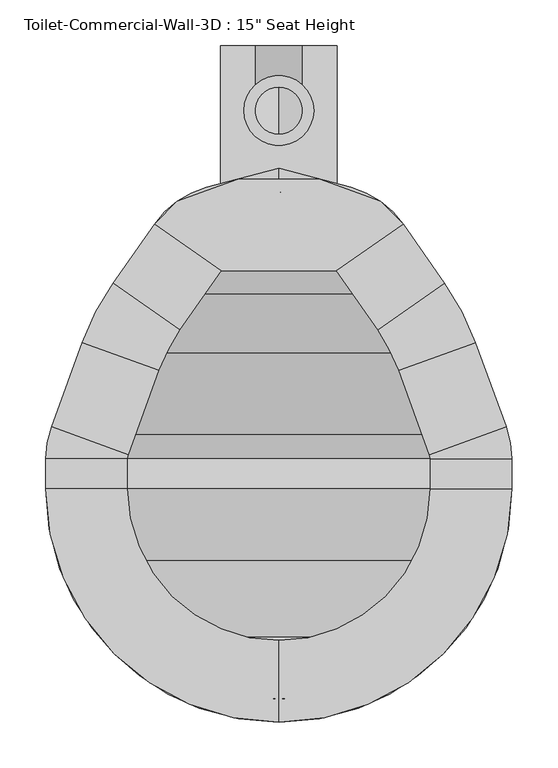
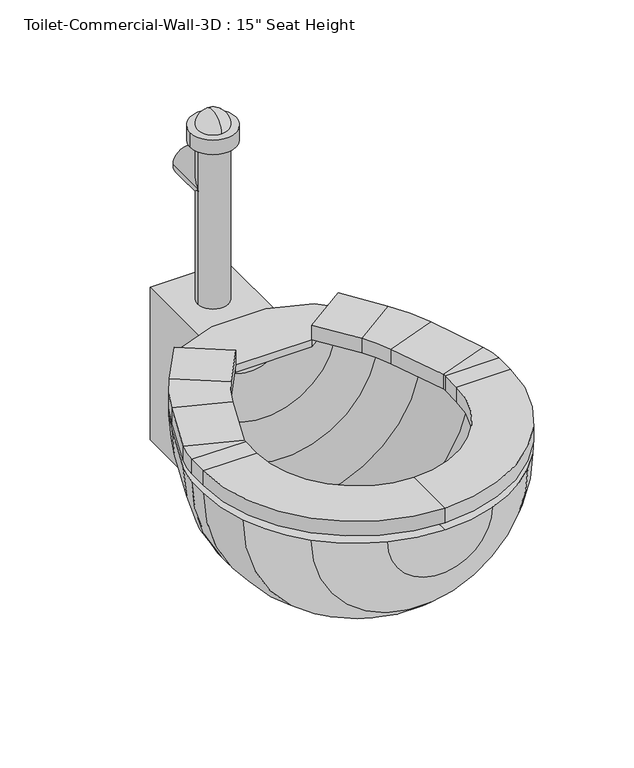
"""IFC4 building model written with IfcOpenShell, lengths in millimetres: flow terminal geometry."""

from ifc_helpers import new_model, si_unit, point, frame, frame_2d, origin, place, context, project, spatial, polyline, circle_curve, ellipse_curve, trimmed, segment, composite_curve, outline, extrude, source, transform, mapped, element, save
from ifc_brep_helpers import plane_surface, cylinder_surface, revolved_surface, advanced_brep


def flow_terminal_bcb8221f(model_context):
    return source(origin(), model_context, "Body", "SolidModel", [
        extrude(outline(polyline([(467.7541169, -333.9347495), (342.0521907, -333.9347495), (269.229574, -282.9438043), (294.1800557, -257.9933226), (360.2423986, -233.9485961), (449.563909, -233.9485961), (515.6262519, -257.9933226), (540.5767337, -282.9438043), (467.7541169, -333.9347495)])), frame((0.0, 0.0, 342.9), z_axis=(0.0, 0.0, 1.0), x_axis=(1.0, 0.0, 0.0)), (0.0, 0.0, 1.0), 12.7),
        advanced_brep(
        [(467.7541169, -333.9347495, 355.6), (467.7541169, -333.9347495, 381.0), (540.5767337, -282.9438043, 381.0), (540.5767337, -282.9438043, 355.6), (585.6810159, -347.3593951, 355.6), (512.8583992, -398.3503403, 355.6), (585.6810159, -347.3593951, 381.0), (512.8583992, -398.3503403, 381.0), (619.360053, -412.0562234, 355.6), (535.821379, -442.4618141, 355.6), (619.360053, -412.0562234, 381.0), (535.821379, -442.4618141, 381.0), (652.7759241, -503.8655747, 355.6), (569.2372501, -534.2711654, 355.6), (652.7759241, -503.8655747, 381.0), (569.2372501, -534.2711654, 381.0), (658.9031538, -538.6148212, 355.6), (570.0031538, -538.6148212, 355.6), (658.9031538, -538.6148212, 381.0), (570.0031538, -538.6148212, 381.0), (658.9031538, -571.5, 355.6), (570.0031538, -571.5, 355.6), (658.9031538, -571.5, 381.0), (570.0031538, -571.5, 381.0), (404.9031538, -825.5, 355.6), (404.9031538, -736.6, 355.6), (404.9031538, -825.5, 381.0), (404.9031538, -736.6, 381.0), (150.9031538, -571.5, 355.6), (239.8031538, -571.5, 355.6), (150.9031538, -571.5, 381.0), (239.8031538, -571.5, 381.0), (150.9031538, -538.6148212, 355.6), (239.8031538, -538.6148212, 355.6), (150.9031538, -538.6148212, 381.0), (239.8031538, -538.6148212, 381.0), (157.0303835, -503.8655747, 355.6), (240.5690575, -534.2711654, 355.6), (157.0303835, -503.8655747, 381.0), (240.5690575, -534.2711654, 381.0), (190.4462546, -412.0562234, 355.6), (273.9849286, -442.4618141, 355.6), (190.4462546, -412.0562234, 381.0), (273.9849286, -442.4618141, 381.0), (224.1252917, -347.3593951, 355.6), (296.9479084, -398.3503403, 355.6), (224.1252917, -347.3593951, 381.0), (296.9479084, -398.3503403, 381.0), (342.0521907, -333.9347495, 355.6), (269.229574, -282.9438043, 355.6), (269.229574, -282.9438043, 381.0), (342.0521907, -333.9347495, 381.0)],
        [
            (0, 1),
            (1, 2),
            (2, 3),
            (3, 0),
            (3, 4),
            (4, 5),
            (5, 0),
            (2, 6),
            (6, 4),
            (1, 7),
            (7, 6),
            (5, 7),
            (8, 9),
            (9, 5, circle_curve(frame((356.8099347, -507.6166514, 355.6), z_axis=(0.0, 0.0, 1.0), x_axis=(0.81915204428899, 0.5735764363510486, 0.0)), 190.5)),
            (4, 8, circle_curve(frame((356.8099347, -507.6166514, 355.6), z_axis=(0.0, 0.0, -1.0), x_axis=(0.81915204428899, 0.5735764363510486, 0.0)), 279.4)),
            (10, 8),
            (6, 10, circle_curve(frame((356.8099347, -507.6166514, 381.0), z_axis=(0.0, 0.0, -1.0), x_axis=(0.81915204428899, 0.5735764363510486, 0.0)), 279.4)),
            (11, 10),
            (7, 11, circle_curve(frame((356.8099347, -507.6166514, 381.0), z_axis=(0.0, 0.0, -1.0), x_axis=(0.81915204428899, 0.5735764363510486, 0.0)), 190.5)),
            (9, 11),
            (8, 12),
            (12, 13),
            (13, 9),
            (10, 14),
            (14, 12),
            (11, 15),
            (15, 14),
            (13, 15),
            (16, 17),
            (17, 13, circle_curve(frame((557.3031538, -538.6148212, 355.6), z_axis=(0.0, 0.0, 1.0), x_axis=(0.9396926207859057, 0.3420201433256761, 0.0)), 12.7)),
            (12, 16, circle_curve(frame((557.3031538, -538.6148212, 355.6), z_axis=(0.0, 0.0, -1.0), x_axis=(0.9396926207859057, 0.3420201433256761, 0.0)), 101.6)),
            (18, 16),
            (14, 18, circle_curve(frame((557.3031538, -538.6148212, 381.0), z_axis=(0.0, 0.0, -1.0), x_axis=(0.9396926207859057, 0.3420201433256761, 0.0)), 101.6)),
            (19, 18),
            (15, 19, circle_curve(frame((557.3031538, -538.6148212, 381.0), z_axis=(0.0, 0.0, -1.0), x_axis=(0.9396926207859057, 0.3420201433256761, 0.0)), 12.7)),
            (17, 19),
            (16, 20),
            (20, 21),
            (21, 17),
            (18, 22),
            (22, 20),
            (19, 23),
            (23, 22),
            (21, 23),
            (24, 25),
            (25, 21, circle_curve(frame((404.9031538, -571.5, 355.6), z_axis=(0.0, 0.0, 1.0), x_axis=(1.0, 0.0, 0.0)), 165.1)),
            (20, 24, circle_curve(frame((404.9031538, -571.5, 355.6), z_axis=(0.0, 0.0, -1.0), x_axis=(1.0, 0.0, 0.0)), 254.0)),
            (26, 24),
            (22, 26, circle_curve(frame((404.9031538, -571.5, 381.0), z_axis=(0.0, 0.0, -1.0), x_axis=(1.0, 0.0, 0.0)), 254.0)),
            (27, 26),
            (23, 27, circle_curve(frame((404.9031538, -571.5, 381.0), z_axis=(0.0, 0.0, -1.0), x_axis=(1.0, 0.0, 0.0)), 165.1)),
            (25, 27),
            (28, 29),
            (29, 25, circle_curve(frame((404.9031538, -571.5, 355.6), z_axis=(0.0, 0.0, 1.0), x_axis=(0.0, -1.0, 0.0)), 165.1)),
            (24, 28, circle_curve(frame((404.9031538, -571.5, 355.6), z_axis=(0.0, 0.0, -1.0), x_axis=(0.0, -1.0, 0.0)), 254.0)),
            (30, 28),
            (26, 30, circle_curve(frame((404.9031538, -571.5, 381.0), z_axis=(0.0, 0.0, -1.0), x_axis=(0.0, -1.0, 0.0)), 254.0)),
            (31, 30),
            (27, 31, circle_curve(frame((404.9031538, -571.5, 381.0), z_axis=(0.0, 0.0, -1.0), x_axis=(0.0, -1.0, 0.0)), 165.1)),
            (29, 31),
            (28, 32),
            (32, 33),
            (33, 29),
            (30, 34),
            (34, 32),
            (31, 35),
            (35, 34),
            (33, 35),
            (36, 37),
            (37, 33, circle_curve(frame((252.5031538, -538.6148212, 355.6), z_axis=(0.0, 0.0, 1.0), x_axis=(-1.0, 0.0, 0.0)), 12.7)),
            (32, 36, circle_curve(frame((252.5031538, -538.6148212, 355.6), z_axis=(0.0, 0.0, -1.0), x_axis=(-1.0, 0.0, 0.0)), 101.6)),
            (38, 36),
            (34, 38, circle_curve(frame((252.5031538, -538.6148212, 381.0), z_axis=(0.0, 0.0, -1.0), x_axis=(-1.0, 0.0, 0.0)), 101.6)),
            (39, 38),
            (35, 39, circle_curve(frame((252.5031538, -538.6148212, 381.0), z_axis=(0.0, 0.0, -1.0), x_axis=(-1.0, 0.0, 0.0)), 12.7)),
            (37, 39),
            (36, 40),
            (40, 41),
            (41, 37),
            (38, 42),
            (42, 40),
            (39, 43),
            (43, 42),
            (41, 43),
            (44, 45),
            (45, 41, circle_curve(frame((452.9963729, -507.6166514, 355.6), z_axis=(0.0, 0.0, 1.0), x_axis=(-0.939692620785909, 0.3420201433256672, 0.0)), 190.5)),
            (40, 44, circle_curve(frame((452.9963729, -507.6166514, 355.6), z_axis=(0.0, 0.0, -1.0), x_axis=(-0.939692620785909, 0.3420201433256672, 0.0)), 279.4)),
            (46, 44),
            (42, 46, circle_curve(frame((452.9963729, -507.6166514, 381.0), z_axis=(0.0, 0.0, -1.0), x_axis=(-0.939692620785909, 0.3420201433256672, 0.0)), 279.4)),
            (47, 46),
            (43, 47, circle_curve(frame((452.9963729, -507.6166514, 381.0), z_axis=(0.0, 0.0, -1.0), x_axis=(-0.939692620785909, 0.3420201433256672, 0.0)), 190.5)),
            (45, 47),
            (48, 49),
            (49, 50),
            (50, 51),
            (51, 48),
            (44, 49),
            (48, 45),
            (46, 50),
            (47, 51),
        ],
        [
            plane_surface(frame((540.5767337, -282.9438043, 439.6203184), z_axis=(-0.5735764363510379, 0.8191520442889975, 0.0), x_axis=(0.8191520442889975, 0.5735764363510379, 0.0))),
            plane_surface(frame((467.7541169, -333.9347495, 355.6), z_axis=(0.0, 0.0, -1.0), x_axis=(0.5735764363510377, -0.8191520442889977, 0.0))),
            plane_surface(frame((540.5767337, -282.9438043, 355.6), z_axis=(0.8191520442889977, 0.5735764363510377, 0.0), x_axis=(0.5735764363510377, -0.8191520442889977, 0.0))),
            plane_surface(frame((540.5767337, -282.9438043, 381.0), z_axis=(0.0, 0.0, 1.0), x_axis=(0.5735764363510377, -0.8191520442889977, 0.0))),
            plane_surface(frame((467.7541169, -333.9347495, 381.0), z_axis=(-0.8191520442889973, -0.5735764363510383, 0.0), x_axis=(0.5735764363510383, -0.8191520442889973, 0.0))),
            plane_surface(frame((356.8099347, -507.6166514, 355.6), z_axis=(0.0, 0.0, -1.0), x_axis=(0.81915204428899, 0.5735764363510486, 0.0))),
            cylinder_surface(frame((356.8099347, -507.6166514, 342.9), z_axis=(0.0, 0.0, 1.0), x_axis=(0.81915204428899, 0.5735764363510486, 0.0)), 279.4),
            plane_surface(frame((356.8099347, -507.6166514, 381.0), z_axis=(0.0, 0.0, 1.0), x_axis=(0.81915204428899, 0.5735764363510486, 0.0))),
            revolved_surface(polyline([(512.8583991370526, -398.3503402751253, 381.0), (512.8583991370526, -398.3503402751253, 355.6)]), (356.8099347, -507.6166514, 342.9), (0.0, 0.0, 1.0)),
            plane_surface(frame((535.821379, -442.4618141, 355.6), z_axis=(0.0, 0.0, -1.0000000000000002), x_axis=(0.34202014332566416, -0.9396926207859101, 0.0))),
            plane_surface(frame((619.360053, -412.0562234, 355.6), z_axis=(0.9396926207859105, 0.34202014332566283, 0.0), x_axis=(0.34202014332566283, -0.9396926207859105, 0.0))),
            plane_surface(frame((619.360053, -412.0562234, 381.0), z_axis=(0.0, 0.0, 1.0), x_axis=(0.34202014332566283, -0.9396926207859105, 0.0))),
            plane_surface(frame((535.821379, -442.4618141, 381.0), z_axis=(-0.9396926207859104, -0.3420201433256634, 0.0), x_axis=(0.3420201433256634, -0.9396926207859104, 0.0))),
            plane_surface(frame((557.3031538, -538.6148212, 355.6), z_axis=(0.0, 0.0, -1.0000000000000002), x_axis=(0.9396926207859058, 0.34202014332567615, 0.0))),
            cylinder_surface(frame((557.3031538, -538.6148212, 342.9), z_axis=(0.0, 0.0, 1.0), x_axis=(0.9396926207859057, 0.3420201433256761, 0.0)), 101.6),
            plane_surface(frame((557.3031538, -538.6148212, 381.0), z_axis=(0.0, 0.0, 1.0000000000000002), x_axis=(0.9396926207859058, 0.34202014332567615, 0.0))),
            revolved_surface(polyline([(569.237250083981, -534.2711653797639, 381.0), (569.237250083981, -534.2711653797639, 355.6)]), (557.3031538, -538.6148212, 342.9), (0.0, 0.0, 1.0)),
            plane_surface(frame((570.0031538, -538.6148212, 355.6), z_axis=(0.0, 0.0, -1.0), x_axis=(0.0, -1.0, 0.0))),
            plane_surface(frame((658.9031538, -538.6148212, 355.6), z_axis=(1.0, 0.0, 0.0), x_axis=(0.0, -1.0, 0.0))),
            plane_surface(frame((658.9031538, -538.6148212, 381.0), z_axis=(0.0, 0.0, 1.0), x_axis=(0.0, -1.0, 0.0))),
            plane_surface(frame((570.0031538, -538.6148212, 381.0), z_axis=(-1.0, 0.0, 0.0), x_axis=(0.0, -1.0, 0.0))),
            plane_surface(frame((404.9031538, -571.5, 355.6), z_axis=(0.0, 0.0, -1.0), x_axis=(1.0, 0.0, 0.0))),
            cylinder_surface(frame((404.9031538, -571.5, 342.9), z_axis=(0.0, 0.0, 1.0), x_axis=(1.0, 0.0, 0.0)), 254.0),
            plane_surface(frame((404.9031538, -571.5, 381.0), z_axis=(0.0, 0.0, 1.0), x_axis=(1.0, 0.0, 0.0))),
            revolved_surface(polyline([(570.0031538, -571.5, 381.0), (570.0031538, -571.5, 355.6)]), (404.9031538, -571.5, 342.9), (0.0, 0.0, 1.0)),
            plane_surface(frame((404.9031538, -571.5, 355.6), z_axis=(0.0, 0.0, -1.0), x_axis=(0.0, -1.0, 0.0))),
            cylinder_surface(frame((404.9031538, -571.5, 342.9), z_axis=(0.0, 0.0, 1.0), x_axis=(0.0, -1.0, 0.0)), 254.0),
            plane_surface(frame((404.9031538, -571.5, 381.0), z_axis=(0.0, 0.0, 1.0), x_axis=(0.0, -1.0, 0.0))),
            revolved_surface(polyline([(404.9031538, -736.6, 381.0), (404.9031538, -736.6, 355.6)]), (404.9031538, -571.5, 342.9), (0.0, 0.0, 1.0)),
            plane_surface(frame((239.8031538, -571.5, 355.6), z_axis=(0.0, 0.0, -1.0), x_axis=(0.0, 1.0, 0.0))),
            plane_surface(frame((150.9031538, -571.5, 355.6), z_axis=(-1.0, 0.0, 0.0), x_axis=(0.0, 1.0, 0.0))),
            plane_surface(frame((150.9031538, -571.5, 381.0), z_axis=(0.0, 0.0, 1.0), x_axis=(0.0, 1.0, 0.0))),
            plane_surface(frame((239.8031538, -571.5, 381.0), z_axis=(1.0, 0.0, 0.0), x_axis=(0.0, 1.0, 0.0))),
            plane_surface(frame((252.5031538, -538.6148212, 355.6), z_axis=(0.0, 0.0, -1.0), x_axis=(-1.0, 0.0, 0.0))),
            cylinder_surface(frame((252.5031538, -538.6148212, 342.9), z_axis=(0.0, 0.0, 1.0), x_axis=(-1.0, 0.0, 0.0)), 101.6),
            plane_surface(frame((252.5031538, -538.6148212, 381.0), z_axis=(0.0, 0.0, 1.0), x_axis=(-1.0, 0.0, 0.0))),
            revolved_surface(polyline([(239.80315380000002, -538.6148212, 381.0), (239.80315380000002, -538.6148212, 355.6)]), (252.5031538, -538.6148212, 342.9), (0.0, 0.0, 1.0)),
            plane_surface(frame((240.5690575, -534.2711654, 355.6), z_axis=(0.0, 0.0, -1.0000000000000002), x_axis=(0.3420201433256558, 0.9396926207859132, 0.0))),
            plane_surface(frame((157.0303835, -503.8655747, 355.6), z_axis=(-0.9396926207859133, 0.3420201433256554, 0.0), x_axis=(0.3420201433256554, 0.9396926207859133, 0.0))),
            plane_surface(frame((157.0303835, -503.8655747, 381.0), z_axis=(0.0, 0.0, 1.0000000000000002), x_axis=(0.3420201433256554, 0.9396926207859133, 0.0))),
            plane_surface(frame((240.5690575, -534.2711654, 381.0), z_axis=(0.9396926207859134, -0.34202014332565517, 0.0), x_axis=(0.34202014332565517, 0.9396926207859134, 0.0))),
            plane_surface(frame((452.9963729, -507.6166514, 355.6), z_axis=(0.0, 0.0, -1.0), x_axis=(-0.939692620785909, 0.3420201433256672, 0.0))),
            cylinder_surface(frame((452.9963729, -507.6166514, 342.9), z_axis=(0.0, 0.0, 1.0), x_axis=(-0.939692620785909, 0.3420201433256672, 0.0)), 279.4),
            plane_surface(frame((452.9963729, -507.6166514, 381.0), z_axis=(0.0, 0.0, 1.0), x_axis=(-0.939692620785909, 0.3420201433256672, 0.0))),
            revolved_surface(polyline([(273.98492864028435, -442.46181409646044, 381.0), (273.98492864028435, -442.46181409646044, 355.6)]), (452.9963729, -507.6166514, 342.9), (0.0, 0.0, 1.0)),
            plane_surface(frame((269.229574, -282.9438043, 246.1796816), z_axis=(0.57357643635105, 0.819152044288989, 0.0), x_axis=(0.819152044288989, -0.57357643635105, 0.0))),
            plane_surface(frame((296.9479084, -398.3503403, 355.6), z_axis=(0.0, 0.0, -1.0), x_axis=(0.5735764363510502, 0.8191520442889889, 0.0))),
            plane_surface(frame((224.1252917, -347.3593951, 355.6), z_axis=(-0.8191520442889894, 0.5735764363510496, 0.0), x_axis=(0.5735764363510496, 0.8191520442889894, 0.0))),
            plane_surface(frame((224.1252917, -347.3593951, 381.0), z_axis=(0.0, 0.0, 1.0), x_axis=(0.5735764363510496, 0.8191520442889894, 0.0))),
            plane_surface(frame((296.9479084, -398.3503403, 381.0), z_axis=(0.8191520442889889, -0.5735764363510502, 0.0), x_axis=(0.5735764363510502, 0.8191520442889889, 0.0))),
        ],
        [
            (0, [[1, 2, 3, 4]]),
            (1, [[5, 6, 7, -4]]),
            (2, [[8, 9, -5, -3]]),
            (3, [[10, 11, -8, -2]]),
            (4, [[-7, 12, -10, -1]]),
            (5, [[13, 14, -6, 15]]),
            (6, [[16, -15, -9, 17]]),
            (7, [[18, -17, -11, 19]]),
            (8, [[20, -19, -12, -14]]),
            (9, [[21, 22, 23, -13]]),
            (10, [[24, 25, -21, -16]]),
            (11, [[26, 27, -24, -18]]),
            (12, [[-23, 28, -26, -20]]),
            (13, [[29, 30, -22, 31]]),
            (14, [[32, -31, -25, 33]]),
            (15, [[34, -33, -27, 35]]),
            (16, [[36, -35, -28, -30]]),
            (17, [[37, 38, 39, -29]]),
            (18, [[40, 41, -37, -32]]),
            (19, [[42, 43, -40, -34]]),
            (20, [[-39, 44, -42, -36]]),
            (21, [[45, 46, -38, 47]]),
            (22, [[48, -47, -41, 49]]),
            (23, [[50, -49, -43, 51]]),
            (24, [[52, -51, -44, -46]]),
            (25, [[53, 54, -45, 55]]),
            (26, [[56, -55, -48, 57]]),
            (27, [[58, -57, -50, 59]]),
            (28, [[60, -59, -52, -54]]),
            (29, [[61, 62, 63, -53]]),
            (30, [[64, 65, -61, -56]]),
            (31, [[66, 67, -64, -58]]),
            (32, [[-63, 68, -66, -60]]),
            (33, [[69, 70, -62, 71]]),
            (34, [[72, -71, -65, 73]]),
            (35, [[74, -73, -67, 75]]),
            (36, [[76, -75, -68, -70]]),
            (37, [[77, 78, 79, -69]]),
            (38, [[80, 81, -77, -72]]),
            (39, [[82, 83, -80, -74]]),
            (40, [[-79, 84, -82, -76]]),
            (41, [[85, 86, -78, 87]]),
            (42, [[88, -87, -81, 89]]),
            (43, [[90, -89, -83, 91]]),
            (44, [[92, -91, -84, -86]]),
            (45, [[93, 94, 95, 96]]),
            (46, [[97, -93, 98, -85]]),
            (47, [[99, -94, -97, -88]]),
            (48, [[100, -95, -99, -90]]),
            (49, [[-98, -96, -100, -92]]),
        ],
    ),
        advanced_brep(
        [(491.7762702, -810.1819257, 342.9), (584.5082762, -751.1051224, 342.9), (643.5850795, -658.3731164, 342.9), (658.9031538, -571.5, 342.9), (658.9031538, -538.6148212, 342.9), (652.7759241, -503.8655747, 342.9), (619.360053, -412.0562234, 342.9), (585.6810159, -347.3593951, 342.9), (540.5767337, -282.9438043, 342.9), (483.6469009, -243.0811063, 342.9), (404.9031538, -221.9817829, 342.9), (404.9031538, -248.2777978, 342.9), (468.1430637, -265.2228806, 342.9), (525.0728964, -305.0855786, 342.9), (562.9565296, -359.1890139, 342.9), (596.6355667, -423.8858422, 342.9), (628.9077315, -512.5528863, 342.9), (633.5031538, -538.6148212, 342.9), (633.5031538, -571.5, 342.9), (619.7168869, -649.6858048, 342.9), (566.547764, -733.1446102, 342.9), (483.0889586, -786.3137331, 342.9), (404.9031538, -800.1, 342.9), (404.9031538, -825.5, 342.9), (318.0300374, -810.1819257, 342.9), (326.7173491, -786.3137331, 342.9), (243.2585436, -733.1446102, 342.9), (190.0894207, -649.6858048, 342.9), (176.3031538, -571.5, 342.9), (176.3031538, -538.6148212, 342.9), (180.8985761, -512.5528863, 342.9), (213.1707409, -423.8858422, 342.9), (246.849778, -359.1890139, 342.9), (284.7334112, -305.0855786, 342.9), (341.663244, -265.2228806, 342.9), (326.1594067, -243.0811063, 342.9), (269.229574, -282.9438043, 342.9), (224.1252917, -347.3593951, 342.9), (190.4462546, -412.0562234, 342.9), (157.0303835, -503.8655747, 342.9), (150.9031538, -538.6148212, 342.9), (150.9031538, -571.5, 342.9), (166.2212281, -658.3731164, 342.9), (225.2980314, -751.1051224, 342.9)],
        [
            (0, 1, circle_curve(frame((404.9031538, -571.5, 342.9), z_axis=(0.0, 0.0, 1.0), x_axis=(1.0, 0.0, 0.0)), 254.0)),
            (1, 2, circle_curve(frame((404.9031538, -571.5, 342.9), z_axis=(0.0, 0.0, 1.0), x_axis=(1.0, 0.0, 0.0)), 254.0)),
            (2, 3, circle_curve(frame((404.9031538, -571.5, 342.9), z_axis=(0.0, 0.0, 1.0), x_axis=(1.0, 0.0, 0.0)), 254.0)),
            (3, 4),
            (4, 5, circle_curve(frame((557.3031538, -538.6148212, 342.9), z_axis=(0.0, 0.0, 1.0), x_axis=(1.0, 0.0, 0.0)), 101.6)),
            (5, 6),
            (6, 7, circle_curve(frame((356.8099347, -507.6166514, 342.9), z_axis=(0.0, 0.0, 1.0), x_axis=(1.0, 0.0, 0.0)), 279.4)),
            (7, 8),
            (8, 9, circle_curve(frame((457.350886, -341.2191703, 342.9), z_axis=(0.0, 0.0, 1.0), x_axis=(1.0, 0.0, 0.0)), 101.6)),
            (9, 10),
            (10, 11),
            (11, 12),
            (12, 13, circle_curve(frame((441.8470487, -363.3609446, 342.9), z_axis=(0.0, 0.0, -1.0), x_axis=(1.0, 0.0, 0.0)), 101.6)),
            (13, 14),
            (14, 15, circle_curve(frame((334.0854485, -519.4462703, 342.9), z_axis=(0.0, 0.0, -1.0), x_axis=(1.0, 0.0, 0.0)), 279.4)),
            (15, 16),
            (16, 17, circle_curve(frame((557.3031538, -538.6148212, 342.9), z_axis=(0.0, 0.0, -1.0), x_axis=(1.0, 0.0, 0.0)), 76.2)),
            (17, 18),
            (18, 19, circle_curve(frame((404.9031538, -571.5, 342.9), z_axis=(0.0, 0.0, -1.0), x_axis=(1.0, 0.0, 0.0)), 228.6)),
            (19, 20, circle_curve(frame((404.9031538, -571.5, 342.9), z_axis=(0.0, 0.0, -1.0), x_axis=(1.0, 0.0, 0.0)), 228.6)),
            (20, 21, circle_curve(frame((404.9031538, -571.5, 342.9), z_axis=(0.0, 0.0, -1.0), x_axis=(1.0, 0.0, 0.0)), 228.6)),
            (21, 22, circle_curve(frame((404.9031538, -571.5, 342.9), z_axis=(0.0, 0.0, -1.0), x_axis=(1.0, 0.0, 0.0)), 228.6)),
            (22, 23),
            (23, 0, circle_curve(frame((404.9031538, -571.5, 342.9), z_axis=(0.0, 0.0, 1.0), x_axis=(1.0, 0.0, 0.0)), 254.0)),
            (24, 23, circle_curve(frame((404.9031538, -571.5, 342.9), z_axis=(0.0, 0.0, 1.0), x_axis=(-1.0, 0.0, 0.0)), 254.0)),
            (22, 25, circle_curve(frame((404.9031538, -571.5, 342.9), z_axis=(0.0, 0.0, -1.0), x_axis=(-1.0, 0.0, 0.0)), 228.6)),
            (25, 26, circle_curve(frame((404.9031538, -571.5, 342.9), z_axis=(0.0, 0.0, -1.0), x_axis=(-1.0, 0.0, 0.0)), 228.6)),
            (26, 27, circle_curve(frame((404.9031538, -571.5, 342.9), z_axis=(0.0, 0.0, -1.0), x_axis=(-1.0, 0.0, 0.0)), 228.6)),
            (27, 28, circle_curve(frame((404.9031538, -571.5, 342.9), z_axis=(0.0, 0.0, -1.0), x_axis=(-1.0, 0.0, 0.0)), 228.6)),
            (28, 29),
            (29, 30, circle_curve(frame((252.5031538, -538.6148212, 342.9), z_axis=(0.0, 0.0, -1.0), x_axis=(-1.0, 0.0, 0.0)), 76.2)),
            (30, 31),
            (31, 32, circle_curve(frame((475.7208592, -519.4462703, 342.9), z_axis=(0.0, 0.0, -1.0), x_axis=(-1.0, 0.0, 0.0)), 279.4)),
            (32, 33),
            (33, 34, circle_curve(frame((367.9592589, -363.3609446, 342.9), z_axis=(0.0, 0.0, -1.0), x_axis=(-1.0, 0.0, 0.0)), 101.6)),
            (34, 11),
            (10, 35),
            (35, 36, circle_curve(frame((352.4554217, -341.2191703, 342.9), z_axis=(0.0, 0.0, 1.0), x_axis=(-1.0, 0.0, 0.0)), 101.6)),
            (36, 37),
            (37, 38, circle_curve(frame((452.9963729, -507.6166514, 342.9), z_axis=(0.0, 0.0, 1.0), x_axis=(-1.0, 0.0, 0.0)), 279.4)),
            (38, 39),
            (39, 40, circle_curve(frame((252.5031538, -538.6148212, 342.9), z_axis=(0.0, 0.0, 1.0), x_axis=(-1.0, 0.0, 0.0)), 101.6)),
            (40, 41),
            (41, 42, circle_curve(frame((404.9031538, -571.5, 342.9), z_axis=(0.0, 0.0, 1.0), x_axis=(-1.0, 0.0, 0.0)), 254.0)),
            (42, 43, circle_curve(frame((404.9031538, -571.5, 342.9), z_axis=(0.0, 0.0, 1.0), x_axis=(-1.0, 0.0, 0.0)), 254.0)),
            (43, 24, circle_curve(frame((404.9031538, -571.5, 342.9), z_axis=(0.0, 0.0, 1.0), x_axis=(-1.0, 0.0, 0.0)), 254.0)),
            (24, 0, circle_curve(frame((404.9031538, -810.1819257, 342.9), z_axis=(0.0, -1.0, 0.0), x_axis=(1.0, 0.0, 0.0)), 86.8731164)),
            (21, 25, circle_curve(frame((404.9031538, -786.3137331, 342.9), z_axis=(0.0, 1.0, 0.0), x_axis=(1.0, 0.0, 0.0)), 78.1858048)),
            (20, 26, circle_curve(frame((404.9031538, -733.1446102, 342.9), z_axis=(0.0, 1.0, 0.0), x_axis=(1.0, 0.0, 0.0)), 161.6446102)),
            (19, 27, circle_curve(frame((404.9031538, -649.6858048, 342.9), z_axis=(0.0, 1.0, 0.0), x_axis=(1.0, 0.0, 0.0)), 214.8137331)),
            (18, 28, circle_curve(frame((404.9031538, -571.5, 342.9), z_axis=(0.0, 1.0, 0.0), x_axis=(1.0, 0.0, 0.0)), 228.6)),
            (17, 29, circle_curve(frame((404.9031538, -538.6148212, 342.9), z_axis=(0.0, 1.0, 0.0), x_axis=(1.0, 0.0, 0.0)), 228.6)),
            (16, 30, circle_curve(frame((404.9031538, -512.5528863, 342.9), z_axis=(0.0, 1.0, 0.0), x_axis=(1.0, 0.0, 0.0)), 224.0045777)),
            (15, 31, circle_curve(frame((404.9031538, -423.8858422, 342.9), z_axis=(0.0, 1.0, 0.0), x_axis=(1.0, 0.0, 0.0)), 191.7324129)),
            (14, 32, circle_curve(frame((404.9031538, -359.1890139, 342.9), z_axis=(0.0, 1.0, 0.0), x_axis=(1.0, 0.0, 0.0)), 158.0533758)),
            (13, 33, circle_curve(frame((404.9031538, -305.0855786, 342.9), z_axis=(0.0, 1.0, 0.0), x_axis=(1.0, 0.0, 0.0)), 120.1697426)),
            (12, 34, circle_curve(frame((404.9031538, -265.2228806, 342.9), z_axis=(0.0, 1.0, 0.0), x_axis=(1.0, 0.0, 0.0)), 63.2399099)),
            (9, 35, circle_curve(frame((404.9031538, -243.0811063, 342.9), z_axis=(0.0, 1.0, 0.0), x_axis=(1.0, 0.0, 0.0)), 78.7437471)),
            (8, 36, circle_curve(frame((404.9031538, -282.9438043, 342.9), z_axis=(0.0, 1.0, 0.0), x_axis=(1.0, 0.0, 0.0)), 135.6735798)),
            (7, 37, circle_curve(frame((404.9031538, -347.3593951, 342.9), z_axis=(0.0, 1.0, 0.0), x_axis=(1.0, 0.0, 0.0)), 180.7778621)),
            (6, 38, circle_curve(frame((404.9031538, -412.0562234, 342.9), z_axis=(0.0, 1.0, 0.0), x_axis=(1.0, 0.0, 0.0)), 214.4568992)),
            (5, 39, circle_curve(frame((404.9031538, -503.8655747, 342.9), z_axis=(0.0, 1.0, 0.0), x_axis=(1.0, 0.0, 0.0)), 247.8727703)),
            (4, 40, circle_curve(frame((404.9031538, -538.6148212, 342.9), z_axis=(0.0, 1.0, 0.0), x_axis=(1.0, 0.0, 0.0)), 254.0)),
            (3, 41, circle_curve(frame((404.9031538, -571.5, 342.9), z_axis=(0.0, 1.0, 0.0), x_axis=(1.0, 0.0, 0.0)), 254.0)),
            (2, 42, circle_curve(frame((404.9031538, -658.3731164, 342.9), z_axis=(0.0, 1.0, 0.0), x_axis=(1.0, 0.0, 0.0)), 238.6819257)),
            (1, 43, circle_curve(frame((404.9031538, -751.1051224, 342.9), z_axis=(0.0, 1.0, 0.0), x_axis=(1.0, 0.0, 0.0)), 179.6051224)),
        ],
        [
            plane_surface(frame((404.9031538, -930.7102448, 342.9), z_axis=(0.0, 0.0, 1.0), x_axis=(1.0, 0.0, 0.0))),
            plane_surface(frame((404.9031538, -930.7102448, 342.9), z_axis=(0.0, 0.0, 1.0), x_axis=(-1.0, 0.0, 0.0))),
            revolved_surface(trimmed(ellipse_curve(frame((404.9031538, -571.5, 342.9), z_axis=(0.0, 0.0, -1.0), x_axis=(1.0, 0.0, 0.0)), 254.0, 254.0), [point((491.7762702, -810.1819257, 342.9))], [point((404.9031538, -825.5, 342.9))], True, "CARTESIAN"), (404.9031538, -930.7102448, 342.9), (0.0, -1.0, 0.0)),
            revolved_surface(trimmed(ellipse_curve(frame((404.9031538, -571.5, 342.9), z_axis=(0.0, 0.0, 1.0), x_axis=(1.0, 0.0, 0.0)), 228.6, 228.6), [point((404.9031538, -800.1, 342.9))], [point((483.0889586, -786.3137331, 342.9))], True, "CARTESIAN"), (404.9031538, -930.7102448, 342.9), (0.0, -1.0, 0.0)),
            revolved_surface(trimmed(ellipse_curve(frame((404.9031538, -571.5, 342.9), z_axis=(0.0, 0.0, 1.0), x_axis=(1.0, 0.0, 0.0)), 228.6, 228.6), [point((483.0889586, -786.3137331, 342.9))], [point((566.547764, -733.1446102, 342.9))], True, "CARTESIAN"), (404.9031538, -930.7102448, 342.9), (0.0, -1.0, 0.0)),
            revolved_surface(trimmed(ellipse_curve(frame((404.9031538, -571.5, 342.9), z_axis=(0.0, 0.0, 1.0), x_axis=(1.0, 0.0, 0.0)), 228.6, 228.6), [point((566.547764, -733.1446102, 342.9))], [point((619.7168869, -649.6858048, 342.9))], True, "CARTESIAN"), (404.9031538, -930.7102448, 342.9), (0.0, -1.0, 0.0)),
            revolved_surface(trimmed(ellipse_curve(frame((404.9031538, -571.5, 342.9), z_axis=(0.0, 0.0, 1.0), x_axis=(1.0, 0.0, 0.0)), 228.6, 228.6), [point((619.7168869, -649.6858048, 342.9))], [point((633.5031538, -571.5, 342.9))], True, "CARTESIAN"), (404.9031538, -930.7102448, 342.9), (0.0, -1.0, 0.0)),
            revolved_surface(polyline([(633.5031538, -571.5, 342.9), (633.5031538, -538.6148212, 342.9)]), (404.9031538, -930.7102448, 342.9), (0.0, -1.0, 0.0)),
            revolved_surface(trimmed(ellipse_curve(frame((557.3031538, -538.6148212, 342.9), z_axis=(0.0, 0.0, 1.0), x_axis=(1.0, 0.0, 0.0)), 76.2, 76.2), [point((633.5031538, -538.6148212, 342.9))], [point((628.9077315, -512.5528863, 342.9))], True, "CARTESIAN"), (404.9031538, -930.7102448, 342.9), (0.0, -1.0, 0.0)),
            revolved_surface(polyline([(628.9077315, -512.5528863, 342.9), (596.6355667, -423.8858422, 342.9)]), (404.9031538, -930.7102448, 342.9), (0.0, -1.0, 0.0)),
            revolved_surface(trimmed(ellipse_curve(frame((334.0854485, -519.4462703, 342.9), z_axis=(0.0, 0.0, 1.0), x_axis=(1.0, 0.0, 0.0)), 279.4, 279.4), [point((596.6355667, -423.8858422, 342.9))], [point((562.9565296, -359.1890139, 342.9))], True, "CARTESIAN"), (404.9031538, -930.7102448, 342.9), (0.0, -1.0, 0.0)),
            revolved_surface(polyline([(562.9565296, -359.1890139, 342.9), (525.0728964, -305.0855786, 342.9)]), (404.9031538, -930.7102448, 342.9), (0.0, -1.0, 0.0)),
            revolved_surface(trimmed(ellipse_curve(frame((441.8470487, -363.3609446, 342.9), z_axis=(0.0, 0.0, 1.0), x_axis=(1.0, 0.0, 0.0)), 101.6, 101.6), [point((525.0728964, -305.0855786, 342.9))], [point((468.1430637, -265.2228806, 342.9))], True, "CARTESIAN"), (404.9031538, -930.7102448, 342.9), (0.0, -1.0, 0.0)),
            revolved_surface(polyline([(468.1430637, -265.2228806, 342.9), (404.9031538, -248.2777978, 342.9)]), (404.9031538, -930.7102448, 342.9), (0.0, -1.0, 0.0)),
            revolved_surface(polyline([(404.9031538, -221.9817829, 342.9), (483.6469009, -243.0811063, 342.9)]), (404.9031538, -930.7102448, 342.9), (0.0, -1.0, 0.0)),
            revolved_surface(trimmed(ellipse_curve(frame((457.350886, -341.2191703, 342.9), z_axis=(0.0, 0.0, -1.0), x_axis=(1.0, 0.0, 0.0)), 101.6, 101.6), [point((483.6469009, -243.0811063, 342.9))], [point((540.5767337, -282.9438043, 342.9))], True, "CARTESIAN"), (404.9031538, -930.7102448, 342.9), (0.0, -1.0, 0.0)),
            revolved_surface(polyline([(540.5767337, -282.9438043, 342.9), (585.6810159, -347.3593951, 342.9)]), (404.9031538, -930.7102448, 342.9), (0.0, -1.0, 0.0)),
            revolved_surface(trimmed(ellipse_curve(frame((356.8099347, -507.6166514, 342.9), z_axis=(0.0, 0.0, -1.0), x_axis=(1.0, 0.0, 0.0)), 279.4, 279.4), [point((585.6810159, -347.3593951, 342.9))], [point((619.360053, -412.0562234, 342.9))], True, "CARTESIAN"), (404.9031538, -930.7102448, 342.9), (0.0, -1.0, 0.0)),
            revolved_surface(polyline([(619.360053, -412.0562234, 342.9), (652.7759241, -503.8655747, 342.9)]), (404.9031538, -930.7102448, 342.9), (0.0, -1.0, 0.0)),
            revolved_surface(trimmed(ellipse_curve(frame((557.3031538, -538.6148212, 342.9), z_axis=(0.0, 0.0, -1.0), x_axis=(1.0, 0.0, 0.0)), 101.6, 101.6), [point((652.7759241, -503.8655747, 342.9))], [point((658.9031538, -538.6148212, 342.9))], True, "CARTESIAN"), (404.9031538, -930.7102448, 342.9), (0.0, -1.0, 0.0)),
            cylinder_surface(frame((404.9031538, -930.7102448, 342.9), z_axis=(0.0, -1.0, 0.0), x_axis=(1.0, 0.0, 0.0)), 254.0),
            revolved_surface(trimmed(ellipse_curve(frame((404.9031538, -571.5, 342.9), z_axis=(0.0, 0.0, -1.0), x_axis=(1.0, 0.0, 0.0)), 254.0, 254.0), [point((658.9031538, -571.5, 342.9))], [point((643.5850795, -658.3731164, 342.9))], True, "CARTESIAN"), (404.9031538, -930.7102448, 342.9), (0.0, -1.0, 0.0)),
            revolved_surface(trimmed(ellipse_curve(frame((404.9031538, -571.5, 342.9), z_axis=(0.0, 0.0, -1.0), x_axis=(1.0, 0.0, 0.0)), 254.0, 254.0), [point((643.5850795, -658.3731164, 342.9))], [point((584.5082762, -751.1051224, 342.9))], True, "CARTESIAN"), (404.9031538, -930.7102448, 342.9), (0.0, -1.0, 0.0)),
            revolved_surface(trimmed(ellipse_curve(frame((404.9031538, -571.5, 342.9), z_axis=(0.0, 0.0, -1.0), x_axis=(1.0, 0.0, 0.0)), 254.0, 254.0), [point((584.5082762, -751.1051224, 342.9))], [point((491.7762702, -810.1819257, 342.9))], True, "CARTESIAN"), (404.9031538, -930.7102448, 342.9), (0.0, -1.0, 0.0)),
        ],
        [
            (0, [[1, 2, 3, 4, 5, 6, 7, 8, 9, 10, 11, 12, 13, 14, 15, 16, 17, 18, 19, 20, 21, 22, 23, 24]]),
            (1, [[25, -23, 26, 27, 28, 29, 30, 31, 32, 33, 34, 35, 36, -11, 37, 38, 39, 40, 41, 42, 43, 44, 45, 46]]),
            (2, [[-25, 47, -24]]),
            (3, [[-26, -22, 48]]),
            (4, [[-27, -48, -21, 49]]),
            (5, [[-28, -49, -20, 50]]),
            (6, [[-29, -50, -19, 51]]),
            (7, [[-30, -51, -18, 52]]),
            (8, [[-31, -52, -17, 53]]),
            (9, [[-32, -53, -16, 54]]),
            (10, [[-33, -54, -15, 55]]),
            (11, [[-34, -55, -14, 56]]),
            (12, [[-35, -56, -13, 57]]),
            (13, [[-36, -57, -12]]),
            (14, [[-37, -10, 58]]),
            (15, [[-38, -58, -9, 59]]),
            (16, [[-39, -59, -8, 60]]),
            (17, [[-40, -60, -7, 61]]),
            (18, [[-41, -61, -6, 62]]),
            (19, [[-42, -62, -5, 63]]),
            (20, [[-43, -63, -4, 64]]),
            (21, [[-44, -64, -3, 65]]),
            (22, [[-45, -65, -2, 66]]),
            (23, [[-46, -66, -1, -47]]),
        ],
    ),
        advanced_brep(
        [(404.9031538, -133.8176912, 647.7), (404.9031538, -159.4352737, 673.3175826), (404.9031538, -185.0528563, 647.7), (404.9031538, -159.4352737, 647.7)],
        [
            (0, 1, circle_curve(frame((404.9031538, -159.4352737, 647.7), z_axis=(1.0, 0.0, 0.0), x_axis=(0.0, -1.0, 0.0)), 25.6175826)),
            (1, 2, circle_curve(frame((404.9031538, -159.4352737, 647.7), z_axis=(1.0, 0.0, 0.0), x_axis=(0.0, 1.0, 0.0)), 25.6175826)),
            (2, 0, circle_curve(frame((404.9031538, -159.4352737, 647.7), z_axis=(0.0, 0.0, 1.0), x_axis=(0.0, -1.0, 0.0)), 25.6175826)),
            (0, 2, circle_curve(frame((404.9031538, -159.4352737, 647.7), z_axis=(0.0, 0.0, 1.0), x_axis=(0.0, -1.0, 0.0)), 25.6175826)),
            (3, 0),
            (2, 3),
        ],
        [
            revolved_surface(trimmed(ellipse_curve(frame((404.9031538, -159.4352737, 647.7), z_axis=(1.0, 0.0, 0.0), x_axis=(0.0, 1.0, 0.0)), 25.6175826, 25.6175826), [point((404.9031538, -159.4352737, 673.3175826))], [point((404.9031538, -185.0528563, 647.7))], True, "CARTESIAN"), (404.9031538, -159.4352737, 712.3277273), (0.0, 0.0, -1.0)),
            plane_surface(frame((404.9031538, -159.4352737, 647.7), z_axis=(0.0, 0.0, -1.0), x_axis=(0.0, -1.0, 0.0))),
        ],
        [
            (0, [[1, 2, 3]]),
            (0, [[-2, -1, 4]]),
            (1, [[5, -3, 6]]),
            (1, [[-6, -4, -5]]),
        ],
    ),
        extrude(outline(composite_curve([segment(trimmed(circle_curve(frame_2d((404.9031538, -159.4352737)), 38.1), [point((366.8031538, -159.4352737))], [point((443.0031538, -159.4352737))], False, "CARTESIAN"), True, "CONTINUOUS"), segment(trimmed(circle_curve(frame_2d((404.9031538, -159.4352737)), 38.1), [point((443.0031538, -159.4352737))], [point((366.8031538, -159.4352737))], False, "CARTESIAN"), True, "CONTINUOUS")], self_intersect=False)), frame((0.0, 0.0, 622.3), z_axis=(0.0, 0.0, 1.0), x_axis=(1.0, 0.0, 0.0)), (0.0, 0.0, 1.0), 25.4),
        extrude(outline(composite_curve([segment(trimmed(circle_curve(frame_2d((544.2113641, 404.9031538)), 25.4), [point((544.2113641, 379.5031538))], [point((544.2113641, 430.3031538))], False, "CARTESIAN"), True, "CONTINUOUS"), segment(trimmed(circle_curve(frame_2d((544.2113641, 404.9031538)), 25.4), [point((544.2113641, 430.3031538))], [point((544.2113641, 379.5031538))], False, "CARTESIAN"), True, "CONTINUOUS")], self_intersect=False)), frame((0.0, -159.54375, 0.0), z_axis=(0.0, 1.0, 0.0), x_axis=(0.0, 0.0, 1.0)), (0.0, 0.0, 1.0), 70.64375),
        extrude(outline(composite_curve([segment(trimmed(circle_curve(frame_2d((404.9031538, -159.4352737)), 25.4), [point((379.5031538, -159.4352737))], [point((430.3031538, -159.4352737))], False, "CARTESIAN"), True, "CONTINUOUS"), segment(trimmed(circle_curve(frame_2d((404.9031538, -159.4352737)), 25.4), [point((430.3031538, -159.4352737))], [point((379.5031538, -159.4352737))], False, "CARTESIAN"), True, "CONTINUOUS")], self_intersect=False)), frame((0.0, 0.0, 342.9), z_axis=(0.0, 0.0, 1.0), x_axis=(1.0, 0.0, 0.0)), (0.0, 0.0, 1.0), 279.4),
        extrude(outline(polyline([(-241.7037941, 342.9), (-88.9, 342.9), (-88.9, 76.2), (-308.9454017, 76.2), (-389.4426282, 134.0328588), (-285.4103185, 206.8770663), (-241.7037941, 269.296452), (-241.7037941, 342.9)])), frame((341.4031538, 0.0, 0.0), z_axis=(1.0, 0.0, 0.0), x_axis=(0.0, 1.0, 0.0)), (0.0, 0.0, 1.0), 127.0),
    ])


if __name__ == "__main__":
    model = new_model("IFC4")
    model_context = context("Model", 3, world=origin())
    ifc_project = project(units=[si_unit("LENGTHUNIT", "METRE", prefix="MILLI")], contexts=[model_context])
    site = spatial("IfcSite", under=ifc_project)
    building = spatial("IfcBuilding", under=site)
    placement = place(None, origin())
    flow_terminal_shape = flow_terminal_bcb8221f(model_context)
    element("IfcFlowTerminal", 1, ObjectType="Toilet-Commercial-Wall-3D : 15\" Seat Height", at=placement, inside=building, context=model_context, shape_type="MappedRepresentation", body=[
        mapped(flow_terminal_shape, transform((0.0, 0.0, 0.0), x_axis=(1.0, 0.0, 0.0), y_axis=(0.0, 1.0, 0.0), z_axis=(0.0, 0.0, 1.0))),
    ])
    save(model, "model.ifc")
